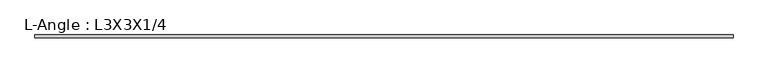
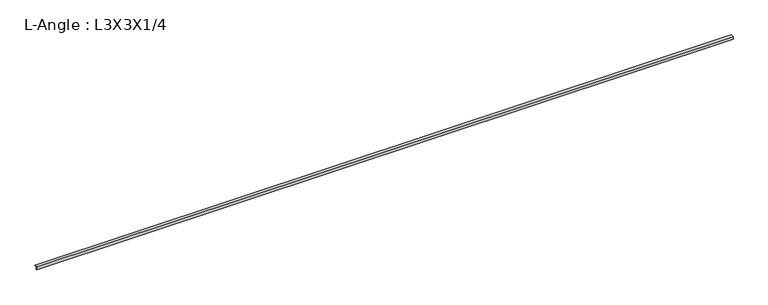
"""IFC4 building model written with IfcOpenShell, lengths in millimetres: beam geometry, L-Angle : L3X3X1/4."""

from ifc_helpers import new_model, si_unit, point, frame, frame_2d, origin, place, context, project, spatial, polyline, circle_curve, trimmed, segment, composite_curve, outline, extrude, source, transform, mapped, element, save


def l_angle_l3x3x1_4_2b05ed08(model_context):
    return source(origin(), model_context, "Body", "SweptSolid", [
        extrude(outline(composite_curve([segment(polyline([(-21.2344, 21.2344), (54.9656, 21.2344)]), True, "CONTINUOUS"), segment(trimmed(circle_curve(frame_2d((48.6156, 21.2344)), 6.35), [point((54.9656, 21.2344))], [point((48.6156, 14.8844))], False, "CARTESIAN"), True, "CONTINUOUS"), segment(polyline([(48.6156, 14.8844), (-8.5344, 14.8844)]), True, "CONTINUOUS"), segment(trimmed(circle_curve(frame_2d((-8.5344, 8.5344)), 6.35), [point((-8.5344, 14.8844))], [point((-14.8844, 8.5344))], True, "CARTESIAN"), True, "CONTINUOUS"), segment(polyline([(-14.8844, 8.5344), (-14.8844, -48.6156)]), True, "CONTINUOUS"), segment(trimmed(circle_curve(frame_2d((-21.2344, -48.6156)), 6.35), [point((-14.8844, -48.6156))], [point((-21.2344, -54.9656))], False, "CARTESIAN"), True, "CONTINUOUS"), segment(polyline([(-21.2344, -54.9656), (-21.2344, 21.2344)]), True, "CONTINUOUS")], self_intersect=False)), frame((-8837.3044885, 0.0, 0.0), z_axis=(1.0, 0.0, 0.0), x_axis=(0.0, 1.0, 0.0)), (0.0, 0.0, 1.0), 17674.608977),
    ])


if __name__ == "__main__":
    model = new_model("IFC4")
    model_context = context("Model", 3, world=origin())
    ifc_project = project(units=[si_unit("LENGTHUNIT", "METRE", prefix="MILLI")], contexts=[model_context])
    site = spatial("IfcSite", under=ifc_project)
    building = spatial("IfcBuilding", under=site)
    placement = place(None, origin())
    l_angle_l3x3x1_4_shape = l_angle_l3x3x1_4_2b05ed08(model_context)
    element("IfcBeam", 1, ObjectType="L-Angle : L3X3X1/4", at=placement, inside=building, context=model_context, shape_type="MappedRepresentation", body=[
        mapped(l_angle_l3x3x1_4_shape, transform((0.0, 0.0, 0.0), x_axis=(1.0, 0.0, 0.0), y_axis=(0.0, 1.0, 0.0), z_axis=(0.0, 0.0, 1.0))),
    ])
    save(model, "model.ifc")
